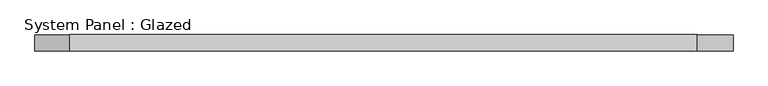
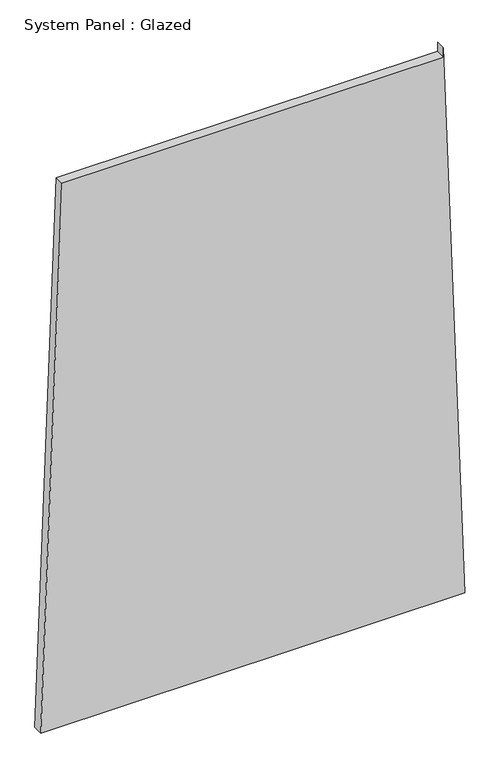
"""IFC4 building model written with IfcOpenShell, lengths in millimetres: plate geometry, System Panel : Glazed."""

from ifc_helpers import new_model, si_unit, frame, origin, place, context, project, spatial, polyline, outline, extrude, source, transform, mapped, element, save


def system_panel_glazed_74c138be(model_context):
    return source(origin(), model_context, "Body", "SweptSolid", [
        extrude(outline(polyline([(0.0, -535.9176041), (0.0, 535.9176041), (1473.9679155, 481.2023926), (1448.9679155, 481.2023927), (1448.9679097, -482.1308862), (0.0, -535.9176041)])), frame((0.0, -49.5, 0.0), z_axis=(0.0, 1.0, 0.0), x_axis=(0.0, 0.0, 1.0)), (0.0, 0.0, 1.0), 25.0),
    ])


if __name__ == "__main__":
    model = new_model("IFC4")
    model_context = context("Model", 3, world=origin())
    ifc_project = project(units=[si_unit("LENGTHUNIT", "METRE", prefix="MILLI")], contexts=[model_context])
    site = spatial("IfcSite", under=ifc_project)
    building = spatial("IfcBuilding", under=site)
    placement = place(None, origin())
    system_panel_glazed_shape = system_panel_glazed_74c138be(model_context)
    element("IfcPlate", 1, ObjectType="System Panel : Glazed", at=placement, inside=building, context=model_context, shape_type="MappedRepresentation", body=[
        mapped(system_panel_glazed_shape, transform((0.0, 0.0, 0.0), x_axis=(1.0, 0.0, 0.0), y_axis=(0.0, 1.0, 0.0), z_axis=(0.0, 0.0, 1.0))),
    ])
    save(model, "model.ifc")
